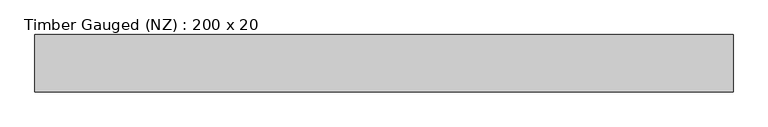
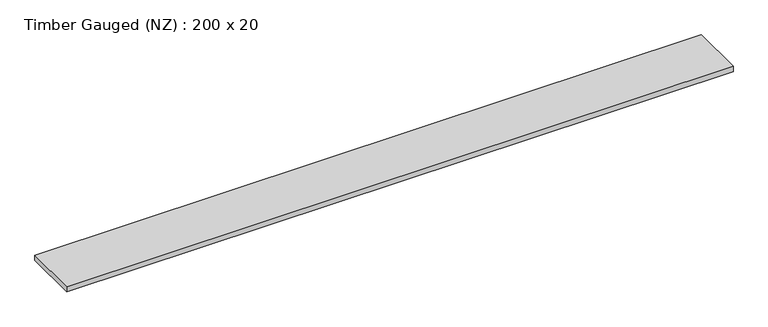
"""IFC4 building model written with IfcOpenShell, lengths in millimetres: beam geometry, Timber Gauged (NZ) : 200 x 20."""

from ifc_helpers import new_model, si_unit, frame, origin, place, context, project, spatial, polyline, outline, extrude, source, transform, mapped, element, save


def timber_gauged_nz_200_x_20_8c434465(model_context):
    return source(origin(), model_context, "Body", "SweptSolid", [
        extrude(outline(polyline([(1320.0, 108.5), (1320.0, -108.5), (-1320.0, -108.5), (-1320.0, 108.5), (1320.0, 108.5)])), frame((0.0, 0.0, -11.0), z_axis=(0.0, 0.0, 1.0), x_axis=(1.0, 0.0, 0.0)), (0.0, 0.0, 1.0), 22.0),
    ])


if __name__ == "__main__":
    model = new_model("IFC4")
    model_context = context("Model", 3, world=origin())
    ifc_project = project(units=[si_unit("LENGTHUNIT", "METRE", prefix="MILLI")], contexts=[model_context])
    site = spatial("IfcSite", under=ifc_project)
    building = spatial("IfcBuilding", under=site)
    placement = place(None, origin())
    timber_gauged_nz_200_x_20_shape = timber_gauged_nz_200_x_20_8c434465(model_context)
    element("IfcBeam", 1, ObjectType="Timber Gauged (NZ) : 200 x 20", at=placement, inside=building, context=model_context, shape_type="MappedRepresentation", body=[
        mapped(timber_gauged_nz_200_x_20_shape, transform((0.0, 0.0, 0.0), x_axis=(1.0, 0.0, 0.0), y_axis=(0.0, 1.0, 0.0), z_axis=(0.0, 0.0, 1.0))),
    ])
    save(model, "model.ifc")
